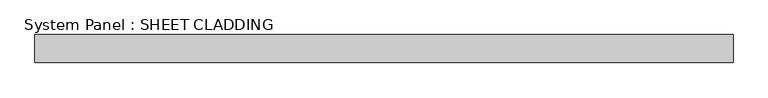
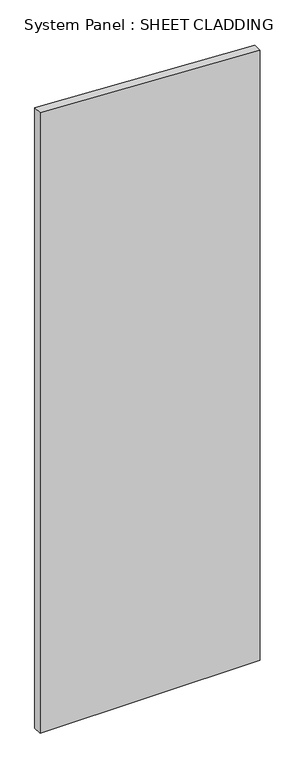
"""IFC4 building model written with IfcOpenShell, lengths in millimetres: plate geometry, System Panel : SHEET CLADDING."""

from ifc_helpers import new_model, si_unit, frame, origin, place, context, project, spatial, polyline, outline, extrude, source, transform, mapped, element, save


def system_panel_sheet_cladding_1783c2e0(model_context):
    return source(origin(), model_context, "Body", "SweptSolid", [
        extrude(outline(polyline([(0.0, -750.0), (0.0, 750.0), (4385.1, 750.0), (4460.1, -750.0), (0.0, -750.0)])), frame((0.0, -49.5, 0.0), z_axis=(0.0, 1.0, 0.0), x_axis=(0.0, 0.0, 1.0)), (0.0, 0.0, 1.0), 60.0),
    ])


if __name__ == "__main__":
    model = new_model("IFC4")
    model_context = context("Model", 3, world=origin())
    ifc_project = project(units=[si_unit("LENGTHUNIT", "METRE", prefix="MILLI")], contexts=[model_context])
    site = spatial("IfcSite", under=ifc_project)
    building = spatial("IfcBuilding", under=site)
    placement = place(None, origin())
    system_panel_sheet_cladding_shape = system_panel_sheet_cladding_1783c2e0(model_context)
    element("IfcPlate", 1, ObjectType="System Panel : SHEET CLADDING", at=placement, inside=building, context=model_context, shape_type="MappedRepresentation", body=[
        mapped(system_panel_sheet_cladding_shape, transform((0.0, 0.0, 0.0), x_axis=(1.0, 0.0, 0.0), y_axis=(0.0, 1.0, 0.0), z_axis=(0.0, 0.0, 1.0))),
    ])
    save(model, "model.ifc")
